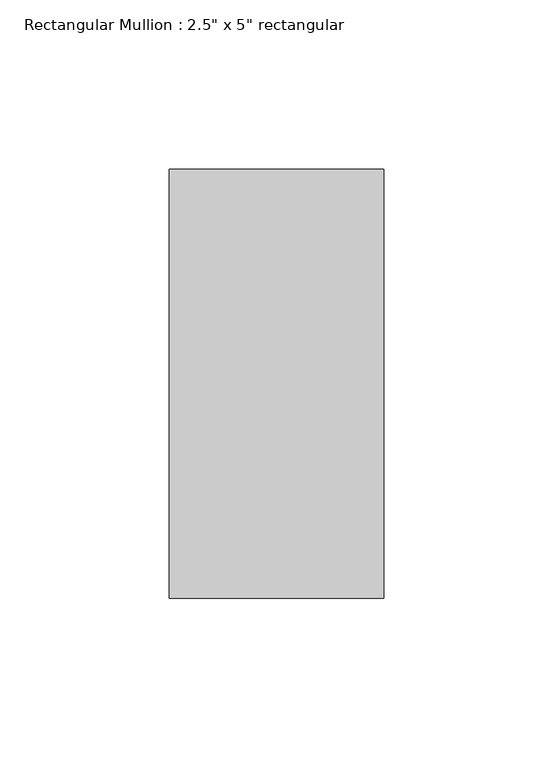
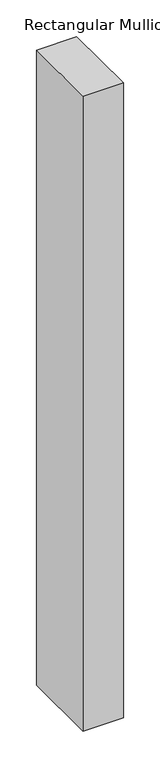
"""IFC4 building model written with IfcOpenShell, lengths in millimetres: member geometry."""

from ifc_helpers import new_model, si_unit, frame, origin, place, context, project, spatial, polyline, outline, extrude, source, transform, mapped, element, save


def member_6b425618(model_context):
    return source(origin(), model_context, "Body", "SweptSolid", [
        extrude(outline(polyline([(31.75, 63.5), (31.75, -63.5), (-31.75, -63.5), (-31.75, 63.5), (31.75, 63.5)])), frame((0.0, 0.0, -1057.275), z_axis=(0.0, 0.0, 1.0), x_axis=(1.0, 0.0, 0.0)), (0.0, 0.0, 1.0), 1057.275),
    ])


if __name__ == "__main__":
    model = new_model("IFC4")
    model_context = context("Model", 3, world=origin())
    ifc_project = project(units=[si_unit("LENGTHUNIT", "METRE", prefix="MILLI")], contexts=[model_context])
    site = spatial("IfcSite", under=ifc_project)
    building = spatial("IfcBuilding", under=site)
    placement = place(None, origin())
    member_shape = member_6b425618(model_context)
    element("IfcMember", 1, ObjectType="Rectangular Mullion : 2.5\" x 5\" rectangular", at=placement, inside=building, context=model_context, shape_type="MappedRepresentation", body=[
        mapped(member_shape, transform((0.0, 0.0, 0.0), x_axis=(1.0, 0.0, 0.0), y_axis=(0.0, 1.0, 0.0), z_axis=(0.0, 0.0, 1.0))),
    ])
    save(model, "model.ifc")
